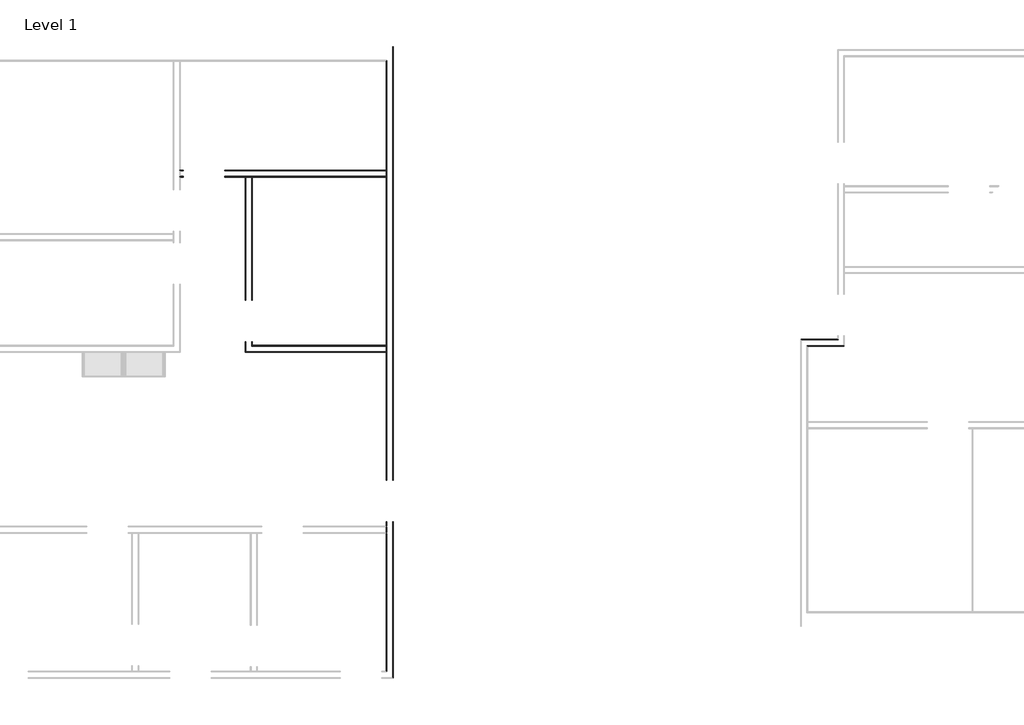
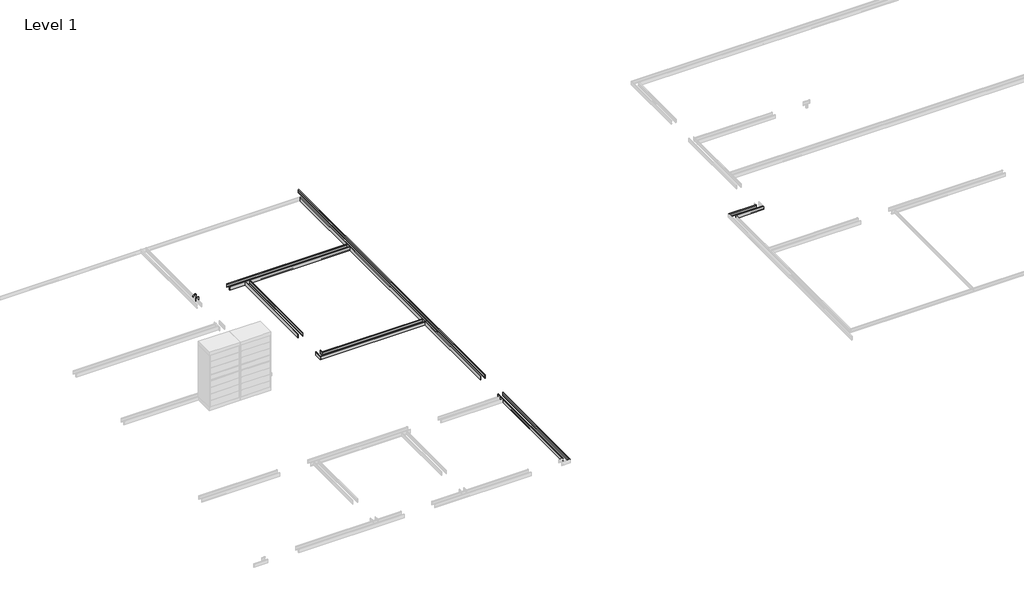
# One storey, part 46 of 51: 10 proxies.
"""IFC4 building model written with IfcOpenShell, lengths in millimetres."""

from ifc_helpers import new_model, si_unit, point, frame, frame_2d, origin, place, context, project, spatial, polyline, circle_curve, ellipse_curve, trimmed, segment, composite_curve, outline, extrude, element, save
from ifc_brep_helpers import plane_surface, cylinder_surface, advanced_brep

model = new_model("IFC4")

# Units and contexts
model_context = context("Model", 3, world=origin())
ifc_project = project(units=[si_unit("LENGTHUNIT", "METRE", prefix="MILLI")], contexts=[model_context])

# Site, building, storey
site = spatial("IfcSite", under=ifc_project)
building = spatial("IfcBuilding", under=site)
storey = spatial("IfcBuildingStorey", under=building, Name="Level 1", Elevation=0.0)

# Proxies
placement = place(None, origin())
element("IfcBuildingElementProxy", 1, Name="Wall Sweeps", at=placement, inside=storey, context=model_context, shape_type="AdvancedBrep", body=[
    advanced_brep(
    [(142089.9478499, -15531.1301669, 22.1801656), (142093.3375534, -15534.5198704, 23.915644), (142093.3375534, -15534.5198704, 85.828144), (142089.9478499, -15531.1301669, 87.5505545), (142089.9478499, -15531.1301669, 107.95), (142101.0603499, -15542.2426669, 107.95), (142104.2353499, -15545.4176669, 104.775), (142104.2353499, -15545.4176669, 0.0), (142089.9478499, -15531.1301669, 0.0), (141276.865984, -15531.1301669, 22.1801656), (141276.865984, -15531.1301669, 0.0), (141291.153484, -15545.4176669, 0.0), (141291.153484, -15545.4176669, 104.775), (141287.978484, -15542.2426669, 107.95), (141276.865984, -15531.1301669, 107.95), (141276.865984, -15531.1301669, 87.5505545), (141280.2556875, -15534.5198704, 85.828144), (141280.2556875, -15534.5198704, 23.915644), (141966.1228499, -15531.1301669, 0.0)],
    [
        (0, 1),
        (1, 2),
        (2, 3),
        (3, 4),
        (4, 5),
        (5, 6, ellipse_curve(frame((142101.0603499, -15542.2426669, 104.775), z_axis=(0.707106781186544, 0.7071067811865511, 0.0), x_axis=(0.7071067811865509, -0.707106781186544, 0.0)), 4.4901281, 3.175)),
        (6, 7),
        (7, 8),
        (8, 0),
        (9, 10),
        (10, 11),
        (11, 12),
        (12, 13, ellipse_curve(frame((141287.978484, -15542.2426669, 104.775), z_axis=(-0.7071067811865476, -0.7071067811865476, 0.0), x_axis=(0.7071067811865475, -0.7071067811865475, 0.0)), 4.4901281, 3.175)),
        (13, 14),
        (14, 15),
        (15, 16),
        (16, 17),
        (17, 9),
        (0, 9),
        (17, 1),
        (16, 2),
        (15, 3),
        (14, 4),
        (13, 5),
        (12, 6),
        (11, 7),
        (10, 18),
        (18, 8),
    ],
    [
        plane_surface(frame((142089.9478499, -15531.1301669, 304.8), z_axis=(0.707106781186544, 0.7071067811865511, 0.0), x_axis=(-0.7071067811865511, 0.707106781186544, 0.0))),
        plane_surface(frame((141276.865984, -15531.1301669, -304.8), z_axis=(-0.7071067811865476, -0.7071067811865476, 0.0), x_axis=(0.7071067811865476, -0.7071067811865476, 0.0))),
        plane_surface(frame((142089.9478499, -15531.1301669, 22.1801656), z_axis=(0.0, 0.4557279043188856, 0.8901191365346083), x_axis=(-1.0, 0.0, 0.0))),
        plane_surface(frame((142093.3375534, -15534.5198704, 23.915644), z_axis=(0.0, 1.0, 0.0), x_axis=(-1.0, 0.0, 0.0))),
        plane_surface(frame((142093.3375534, -15534.5198704, 85.828144), z_axis=(0.0, 0.4530026868357818, -0.8915091506650745), x_axis=(-1.0, 0.0, 0.0))),
        plane_surface(frame((142089.9478499, -15531.1301669, 87.5505545), z_axis=(0.0, 1.0, 0.0), x_axis=(-1.0, 0.0, 0.0))),
        plane_surface(frame((142089.9478499, -15531.1301669, 107.95), z_axis=(0.0, 0.0, 1.0), x_axis=(-1.0, 0.0, 0.0))),
        cylinder_surface(frame((142089.9478499, -15542.2426669, 104.775), z_axis=(1.0, 0.0, 0.0), x_axis=(0.0, -1.0, 0.0)), 3.175),
        plane_surface(frame((142104.2353499, -15545.4176669, 104.775), z_axis=(0.0, -1.0, 0.0), x_axis=(-1.0, 0.0, 0.0))),
        plane_surface(frame((142104.2353499, -15545.4176669, 0.0), z_axis=(0.0, 0.0, -1.0), x_axis=(-1.0, 0.0, 0.0))),
        plane_surface(frame((142089.9478499, -15531.1301669, 0.0), z_axis=(0.0, 1.0, 0.0), x_axis=(-1.0, 0.0, 0.0))),
    ],
    [
        (0, [[1, 2, 3, 4, 5, 6, 7, 8, 9]]),
        (1, [[10, 11, 12, 13, 14, 15, 16, 17, 18]]),
        (2, [[-1, 19, -18, 20]]),
        (3, [[-2, -20, -17, 21]]),
        (4, [[-3, -21, -16, 22]]),
        (5, [[-4, -22, -15, 23]]),
        (6, [[-5, -23, -14, 24]]),
        (7, [[-6, -24, -13, 25]]),
        (8, [[-7, -25, -12, 26]]),
        (9, [[-8, -26, -11, 27, 28]]),
        (10, [[-9, -28, -27, -10, -19]]),
    ],
),
])
element("IfcBuildingElementProxy", 2, Name="Wall Sweeps", at=placement, inside=storey, context=model_context, shape_type="AdvancedBrep", body=[
    advanced_brep(
    [(141966.1228499, -15407.3051669, 22.1801656), (141966.1228499, -15407.3051669, 0.0), (141951.8353499, -15393.0176669, 0.0), (141951.8353499, -15393.0176669, 104.775), (141955.0103499, -15396.1926669, 107.95), (141966.1228499, -15407.3051669, 107.95), (141966.1228499, -15407.3051669, 87.5505545), (141962.7331464, -15403.9154634, 85.828144), (141962.7331464, -15403.9154634, 23.915644), (141153.040984, -15407.3051669, 22.1801656), (141149.6512805, -15403.9154634, 23.915644), (141149.6512805, -15403.9154634, 85.828144), (141153.040984, -15407.3051669, 87.5505545), (141153.040984, -15407.3051669, 107.95), (141141.928484, -15396.1926669, 107.95), (141138.753484, -15393.0176669, 104.775), (141138.753484, -15393.0176669, 0.0), (141153.040984, -15407.3051669, 0.0)],
    [
        (0, 1),
        (1, 2),
        (2, 3),
        (3, 4, ellipse_curve(frame((141955.0103499, -15396.1926669, 104.775), z_axis=(0.707106781186544, 0.7071067811865511, 0.0), x_axis=(0.7071067811865509, -0.707106781186544, 0.0)), 4.4901281, 3.175)),
        (4, 5),
        (5, 6),
        (6, 7),
        (7, 8),
        (8, 0),
        (9, 10),
        (10, 11),
        (11, 12),
        (12, 13),
        (13, 14),
        (14, 15, ellipse_curve(frame((141141.928484, -15396.1926669, 104.775), z_axis=(-0.7071067811865476, -0.7071067811865476, 0.0), x_axis=(0.7071067811865475, -0.7071067811865475, 0.0)), 4.4901281, 3.175)),
        (15, 16),
        (16, 17),
        (17, 9),
        (0, 9),
        (17, 1),
        (16, 2),
        (15, 3),
        (14, 4),
        (13, 5),
        (12, 6),
        (11, 7),
        (10, 8),
    ],
    [
        plane_surface(frame((141966.1228499, -15407.3051669, 304.8), z_axis=(0.707106781186544, 0.7071067811865511, 0.0), x_axis=(-0.7071067811865511, 0.707106781186544, 0.0))),
        plane_surface(frame((141153.040984, -15407.3051669, -304.8), z_axis=(-0.7071067811865476, -0.7071067811865476, 0.0), x_axis=(0.7071067811865476, -0.7071067811865476, 0.0))),
        plane_surface(frame((141966.1228499, -15407.3051669, 22.1801656), z_axis=(0.0, -1.0, 0.0), x_axis=(-1.0, 0.0, 0.0))),
        plane_surface(frame((141966.1228499, -15407.3051669, 0.0), z_axis=(0.0, 0.0, -1.0), x_axis=(-1.0, 0.0, 0.0))),
        plane_surface(frame((141951.8353499, -15393.0176669, 0.0), z_axis=(0.0, 1.0, 0.0), x_axis=(-1.0, 0.0, 0.0))),
        cylinder_surface(frame((141966.1228499, -15396.1926669, 104.775), z_axis=(1.0, 0.0, 0.0), x_axis=(0.0, 1.0, 0.0)), 3.175),
        plane_surface(frame((141955.0103499, -15396.1926669, 107.95), z_axis=(0.0, 0.0, 1.0), x_axis=(-1.0, 0.0, 0.0))),
        plane_surface(frame((141966.1228499, -15407.3051669, 107.95), z_axis=(0.0, -1.0, 0.0), x_axis=(-1.0, 0.0, 0.0))),
        plane_surface(frame((141966.1228499, -15407.3051669, 87.5505545), z_axis=(0.0, -0.4530026868357818, -0.8915091506650745), x_axis=(-1.0, 0.0, 0.0))),
        plane_surface(frame((141962.7331464, -15403.9154634, 85.828144), z_axis=(0.0, -1.0, 0.0), x_axis=(-1.0, 0.0, 0.0))),
        plane_surface(frame((141962.7331464, -15403.9154634, 23.915644), z_axis=(0.0, -0.4557279043188856, 0.8901191365346083), x_axis=(-1.0, 0.0, 0.0))),
    ],
    [
        (0, [[1, 2, 3, 4, 5, 6, 7, 8, 9]]),
        (1, [[10, 11, 12, 13, 14, 15, 16, 17, 18]]),
        (2, [[-1, 19, -18, 20]]),
        (3, [[-2, -20, -17, 21]]),
        (4, [[-3, -21, -16, 22]]),
        (5, [[-4, -22, -15, 23]]),
        (6, [[-5, -23, -14, 24]]),
        (7, [[-6, -24, -13, 25]]),
        (8, [[-7, -25, -12, 26]]),
        (9, [[-8, -26, -11, 27]]),
        (10, [[-9, -27, -10, -19]]),
    ],
),
])
element("IfcBuildingElementProxy", 3, Name="Wall Sweeps", at=placement, inside=storey, context=model_context, shape_type="AdvancedBrep", body=[
    advanced_brep(
    [(132009.040984, -9239.8676669, 22.1801656), (132009.040984, -9239.8676669, 0.0), (131994.753484, -9254.1551669, 0.0), (131994.753484, -9254.1551669, 104.775), (131997.928484, -9250.9801669, 107.95), (132009.040984, -9239.8676669, 107.95), (132009.040984, -9239.8676669, 87.5505545), (132005.6512805, -9243.2573704, 85.828144), (132005.6512805, -9243.2573704, 23.915644), (132009.040984, -18502.9301669, 22.1801656), (132005.6512805, -18502.9301669, 23.915644), (132005.6512805, -18502.9301669, 85.828144), (132009.040984, -18502.9301669, 87.5505545), (132009.040984, -18502.9301669, 107.95), (131997.928484, -18502.9301669, 107.95), (131994.753484, -18502.9301669, 104.775), (131994.753484, -18502.9301669, 0.0), (132009.040984, -18502.9301669, 0.0)],
    [
        (0, 1),
        (1, 2),
        (2, 3),
        (3, 4, ellipse_curve(frame((131997.928484, -9250.9801669, 104.775), z_axis=(-0.707106781186544, 0.7071067811865511, 0.0), x_axis=(0.7071067811865511, 0.7071067811865438, 0.0)), 4.4901281, 3.175)),
        (4, 5),
        (5, 6),
        (6, 7),
        (7, 8),
        (8, 0),
        (9, 10),
        (10, 11),
        (11, 12),
        (12, 13),
        (13, 14),
        (14, 15, circle_curve(frame((131997.928484, -18502.9301669, 104.775), z_axis=(0.0, -1.0, 0.0), x_axis=(-1.0, 0.0, 0.0)), 3.175)),
        (15, 16),
        (16, 17),
        (17, 9),
        (8, 10),
        (9, 0),
        (7, 11),
        (6, 12),
        (5, 13),
        (4, 14),
        (3, 15),
        (2, 16),
        (1, 17),
    ],
    [
        plane_surface(frame((132009.040984, -9239.8676669, 304.8), z_axis=(-0.707106781186544, 0.7071067811865511, 0.0), x_axis=(-0.7071067811865511, -0.707106781186544, 0.0))),
        plane_surface(frame((131900.5205244, -18502.9301669, 0.0), z_axis=(0.0, -1.0, 0.0), x_axis=(0.0, 0.0, -1.0))),
        plane_surface(frame((132005.6512805, -9243.2573704, 23.915644), z_axis=(0.4557279043188856, 0.0, 0.8901191365346083), x_axis=(0.0, -1.0, 0.0))),
        plane_surface(frame((132005.6512805, -9243.2573704, 85.828144), z_axis=(1.0, 0.0, 0.0), x_axis=(0.0, -1.0, 0.0))),
        plane_surface(frame((132009.040984, -9239.8676669, 87.5505545), z_axis=(0.4530026868357818, 0.0, -0.8915091506650745), x_axis=(0.0, -1.0, 0.0))),
        plane_surface(frame((132009.040984, -9239.8676669, 107.95), z_axis=(1.0, 0.0, 0.0), x_axis=(0.0, -1.0, 0.0))),
        plane_surface(frame((131997.928484, -9250.9801669, 107.95), z_axis=(0.0, 0.0, 1.0), x_axis=(0.0, -1.0, 0.0))),
        cylinder_surface(frame((131997.928484, -9239.8676669, 104.775), z_axis=(0.0, 1.0, 0.0), x_axis=(-1.0, 0.0, 0.0)), 3.175),
        plane_surface(frame((131994.753484, -9254.1551669, 0.0), z_axis=(-1.0, 0.0, 0.0), x_axis=(0.0, -1.0, 0.0))),
        plane_surface(frame((132009.040984, -9239.8676669, 0.0), z_axis=(0.0, 0.0, -1.0), x_axis=(0.0, -1.0, 0.0))),
        plane_surface(frame((132009.040984, -9239.8676669, 22.1801656), z_axis=(1.0, 0.0, 0.0), x_axis=(0.0, -1.0, 0.0))),
    ],
    [
        (0, [[1, 2, 3, 4, 5, 6, 7, 8, 9]]),
        (1, [[10, 11, 12, 13, 14, 15, 16, 17, 18]]),
        (2, [[-9, 19, -10, 20]]),
        (3, [[-8, 21, -11, -19]]),
        (4, [[-7, 22, -12, -21]]),
        (5, [[-6, 23, -13, -22]]),
        (6, [[-5, 24, -14, -23]]),
        (7, [[-4, 25, -15, -24]]),
        (8, [[-3, 26, -16, -25]]),
        (9, [[-2, 27, -17, -26]]),
        (10, [[-1, -20, -18, -27]]),
    ],
),
    advanced_brep(
    [(132009.040984, -19417.3301669, 22.1801656), (132009.040984, -19417.3301669, 0.0), (131994.753484, -19417.3301669, 0.0), (131994.753484, -19417.3301669, 104.775), (131997.928484, -19417.3301669, 107.95), (132009.040984, -19417.3301669, 107.95), (132009.040984, -19417.3301669, 87.5505545), (132005.6512805, -19417.3301669, 85.828144), (132005.6512805, -19417.3301669, 23.915644), (132009.040984, -22733.6176669, 22.1801656), (132005.6512805, -22730.2279634, 23.915644), (132005.6512805, -22730.2279634, 85.828144), (132009.040984, -22733.6176669, 87.5505545), (132009.040984, -22733.6176669, 107.95), (131997.928484, -22722.5051669, 107.95), (131994.753484, -22719.3301669, 104.775), (131994.753484, -22719.3301669, 0.0), (132009.040984, -22733.6176669, 0.0)],
    [
        (0, 1),
        (1, 2),
        (2, 3),
        (3, 4, circle_curve(frame((131997.928484, -19417.3301669, 104.775), z_axis=(0.0, 1.0, 0.0), x_axis=(-1.0, 0.0, 0.0)), 3.175)),
        (4, 5),
        (5, 6),
        (6, 7),
        (7, 8),
        (8, 0),
        (9, 10),
        (10, 11),
        (11, 12),
        (12, 13),
        (13, 14),
        (14, 15, ellipse_curve(frame((131997.928484, -22722.5051669, 104.775), z_axis=(-0.7071067811865476, -0.7071067811865476, 0.0), x_axis=(-0.7071067811865476, 0.7071067811865474, 0.0)), 4.4901281, 3.175)),
        (15, 16),
        (16, 17),
        (17, 9),
        (0, 9),
        (17, 1),
        (16, 2),
        (15, 3),
        (14, 4),
        (13, 5),
        (12, 6),
        (11, 7),
        (10, 8),
    ],
    [
        plane_surface(frame((131900.5205244, -19417.3301669, 0.0), z_axis=(0.0, 1.0, 0.0), x_axis=(0.0, 0.0, -1.0))),
        plane_surface(frame((132009.040984, -22733.6176669, 304.8), z_axis=(-0.7071067811865476, -0.7071067811865476, 0.0), x_axis=(-0.7071067811865476, 0.7071067811865476, 0.0))),
        plane_surface(frame((132009.040984, -19417.3301669, 22.1801656), z_axis=(1.0, 0.0, 0.0), x_axis=(0.0, -1.0, 0.0))),
        plane_surface(frame((132009.040984, -19417.3301669, 0.0), z_axis=(0.0, 0.0, -1.0), x_axis=(0.0, -1.0, 0.0))),
        plane_surface(frame((131994.753484, -19417.3301669, 0.0), z_axis=(-1.0, 0.0, 0.0), x_axis=(0.0, -1.0, 0.0))),
        cylinder_surface(frame((131997.928484, -19417.3301669, 104.775), z_axis=(0.0, 1.0, 0.0), x_axis=(-1.0, 0.0, 0.0)), 3.175),
        plane_surface(frame((131997.928484, -19417.3301669, 107.95), z_axis=(0.0, 0.0, 1.0), x_axis=(0.0, -1.0, 0.0))),
        plane_surface(frame((132009.040984, -19417.3301669, 107.95), z_axis=(1.0, 0.0, 0.0), x_axis=(0.0, -1.0, 0.0))),
        plane_surface(frame((132009.040984, -19417.3301669, 87.5505545), z_axis=(0.4530026868357818, 0.0, -0.8915091506650745), x_axis=(0.0, -1.0, 0.0))),
        plane_surface(frame((132005.6512805, -19417.3301669, 85.828144), z_axis=(1.0, 0.0, 0.0), x_axis=(0.0, -1.0, 0.0))),
        plane_surface(frame((132005.6512805, -19417.3301669, 23.915644), z_axis=(0.4557279043188856, 0.0, 0.8901191365346083), x_axis=(0.0, -1.0, 0.0))),
    ],
    [
        (0, [[1, 2, 3, 4, 5, 6, 7, 8, 9]]),
        (1, [[10, 11, 12, 13, 14, 15, 16, 17, 18]]),
        (2, [[-1, 19, -18, 20]]),
        (3, [[-2, -20, -17, 21]]),
        (4, [[-3, -21, -16, 22]]),
        (5, [[-4, -22, -15, 23]]),
        (6, [[-5, -23, -14, 24]]),
        (7, [[-6, -24, -13, 25]]),
        (8, [[-7, -25, -12, 26]]),
        (9, [[-8, -26, -11, 27]]),
        (10, [[-9, -27, -10, -19]]),
    ],
),
])
element("IfcBuildingElementProxy", 4, Name="Wall Sweeps", at=placement, inside=storey, context=model_context, shape_type="AdvancedBrep", body=[
    advanced_brep(
    [(129022.953484, -15451.7980846, 22.1801656), (129026.3431875, -15451.7980846, 23.915644), (129026.3431875, -15451.7980846, 85.828144), (129022.953484, -15451.7980846, 87.5505545), (129022.953484, -15451.7980846, 107.95), (129034.065984, -15451.7980846, 107.95), (129037.240984, -15451.7980846, 104.775), (129037.240984, -15451.7980846, 0.0), (129022.953484, -15451.7980846, 0.0), (129022.953484, -15542.2855846, 22.1801656), (129022.953484, -15542.2855846, 0.0), (129037.240984, -15527.9980846, 0.0), (129037.240984, -15527.9980846, 104.775), (129034.065984, -15531.1730846, 107.95), (129022.953484, -15542.2855846, 107.95), (129022.953484, -15542.2855846, 87.5505545), (129026.3431875, -15538.8958812, 85.828144), (129026.3431875, -15538.8958812, 23.915644)],
    [
        (0, 1),
        (1, 2),
        (2, 3),
        (3, 4),
        (4, 5),
        (5, 6, circle_curve(frame((129034.065984, -15451.7980846, 104.775), z_axis=(0.0, 1.0, 0.0), x_axis=(1.0, 0.0, 0.0)), 3.175)),
        (6, 7),
        (7, 8),
        (8, 0),
        (9, 10),
        (10, 11),
        (11, 12),
        (12, 13, ellipse_curve(frame((129034.065984, -15531.1730846, 104.775), z_axis=(0.707106781186544, -0.7071067811865511, 0.0), x_axis=(0.7071067811865511, 0.7071067811865438, 0.0)), 4.4901281, 3.175)),
        (13, 14),
        (14, 15),
        (15, 16),
        (16, 17),
        (17, 9),
        (0, 9),
        (17, 1),
        (16, 2),
        (15, 3),
        (14, 4),
        (13, 5),
        (12, 6),
        (11, 7),
        (10, 8),
    ],
    [
        plane_surface(frame((128914.4330244, -15451.7980846, 0.0), z_axis=(0.0, 1.0, 0.0), x_axis=(0.0, 0.0, -1.0))),
        plane_surface(frame((129022.953484, -15542.2855846, -304.8), z_axis=(0.707106781186544, -0.7071067811865511, 0.0), x_axis=(0.7071067811865511, 0.707106781186544, 0.0))),
        plane_surface(frame((129022.953484, -15451.7980846, 22.1801656), z_axis=(-0.4557279043188856, 0.0, 0.8901191365346083), x_axis=(0.0, -1.0, 0.0))),
        plane_surface(frame((129026.3431875, -15451.7980846, 23.915644), z_axis=(-1.0, 0.0, 0.0), x_axis=(0.0, -1.0, 0.0))),
        plane_surface(frame((129026.3431875, -15451.7980846, 85.828144), z_axis=(-0.4530026868357818, 0.0, -0.8915091506650745), x_axis=(0.0, -1.0, 0.0))),
        plane_surface(frame((129022.953484, -15451.7980846, 87.5505545), z_axis=(-1.0, 0.0, 0.0), x_axis=(0.0, -1.0, 0.0))),
        plane_surface(frame((129022.953484, -15451.7980846, 107.95), z_axis=(0.0, 0.0, 1.0), x_axis=(0.0, -1.0, 0.0))),
        cylinder_surface(frame((129034.065984, -15451.7980846, 104.775), z_axis=(0.0, 1.0, 0.0), x_axis=(1.0, 0.0, 0.0)), 3.175),
        plane_surface(frame((129037.240984, -15451.7980846, 104.775), z_axis=(1.0, 0.0, 0.0), x_axis=(0.0, -1.0, 0.0))),
        plane_surface(frame((129037.240984, -15451.7980846, 0.0), z_axis=(0.0, 0.0, -1.0), x_axis=(0.0, -1.0, 0.0))),
        plane_surface(frame((129022.953484, -15451.7980846, 0.0), z_axis=(-1.0, 0.0, 0.0), x_axis=(0.0, -1.0, 0.0))),
    ],
    [
        (0, [[1, 2, 3, 4, 5, 6, 7, 8, 9]]),
        (1, [[10, 11, 12, 13, 14, 15, 16, 17, 18]]),
        (2, [[-1, 19, -18, 20]]),
        (3, [[-2, -20, -17, 21]]),
        (4, [[-3, -21, -16, 22]]),
        (5, [[-4, -22, -15, 23]]),
        (6, [[-5, -23, -14, 24]]),
        (7, [[-6, -24, -13, 25]]),
        (8, [[-7, -25, -12, 26]]),
        (9, [[-8, -26, -11, 27]]),
        (10, [[-9, -27, -10, -19]]),
    ],
),
    advanced_brep(
    [(129022.953484, -11802.0926669, 22.1801656), (129026.3431875, -11802.0926669, 23.915644), (129026.3431875, -11802.0926669, 85.828144), (129022.953484, -11802.0926669, 87.5505545), (129022.953484, -11802.0926669, 107.95), (129034.065984, -11802.0926669, 107.95), (129037.240984, -11802.0926669, 104.775), (129037.240984, -11802.0926669, 0.0), (129022.953484, -11802.0926669, 0.0), (129022.953484, -14537.3980846, 22.1801656), (129022.953484, -14537.3980846, 0.0), (129037.240984, -14537.3980846, 0.0), (129037.240984, -14537.3980846, 104.775), (129034.065984, -14537.3980846, 107.95), (129022.953484, -14537.3980846, 107.95), (129022.953484, -14537.3980846, 87.5505545), (129026.3431875, -14537.3980846, 85.828144), (129026.3431875, -14537.3980846, 23.915644)],
    [
        (0, 1),
        (1, 2),
        (2, 3),
        (3, 4),
        (4, 5),
        (5, 6, circle_curve(frame((129034.065984, -11802.0926669, 104.775), z_axis=(0.0, 1.0, 0.0), x_axis=(1.0, 0.0, 0.0)), 3.175)),
        (6, 7),
        (7, 8),
        (8, 0),
        (9, 10),
        (10, 11),
        (11, 12),
        (12, 13, circle_curve(frame((129034.065984, -14537.3980846, 104.775), z_axis=(0.0, -1.0, 0.0), x_axis=(1.0, 0.0, 0.0)), 3.175)),
        (13, 14),
        (14, 15),
        (15, 16),
        (16, 17),
        (17, 9),
        (0, 9),
        (17, 1),
        (16, 2),
        (15, 3),
        (14, 4),
        (13, 5),
        (12, 6),
        (11, 7),
        (10, 8),
    ],
    [
        plane_surface(frame((128914.4330244, -11802.0926669, 0.0), z_axis=(0.0, 1.0, 0.0), x_axis=(0.0, 0.0, -1.0))),
        plane_surface(frame((128914.4330244, -14537.3980846, 0.0), z_axis=(0.0, -1.0, 0.0), x_axis=(0.0, 0.0, -1.0))),
        plane_surface(frame((129022.953484, -11802.0926669, 22.1801656), z_axis=(-0.4557279043188856, 0.0, 0.8901191365346083), x_axis=(0.0, -1.0, 0.0))),
        plane_surface(frame((129026.3431875, -11802.0926669, 23.915644), z_axis=(-1.0, 0.0, 0.0), x_axis=(0.0, -1.0, 0.0))),
        plane_surface(frame((129026.3431875, -11802.0926669, 85.828144), z_axis=(-0.4530026868357818, 0.0, -0.8915091506650745), x_axis=(0.0, -1.0, 0.0))),
        plane_surface(frame((129022.953484, -11802.0926669, 87.5505545), z_axis=(-1.0, 0.0, 0.0), x_axis=(0.0, -1.0, 0.0))),
        plane_surface(frame((129022.953484, -11802.0926669, 107.95), z_axis=(0.0, 0.0, 1.0), x_axis=(0.0, -1.0, 0.0))),
        cylinder_surface(frame((129034.065984, -11802.0926669, 104.775), z_axis=(0.0, 1.0, 0.0), x_axis=(1.0, 0.0, 0.0)), 3.175),
        plane_surface(frame((129037.240984, -11802.0926669, 104.775), z_axis=(1.0, 0.0, 0.0), x_axis=(0.0, -1.0, 0.0))),
        plane_surface(frame((129037.240984, -11802.0926669, 0.0), z_axis=(0.0, 0.0, -1.0), x_axis=(0.0, -1.0, 0.0))),
        plane_surface(frame((129022.953484, -11802.0926669, 0.0), z_axis=(-1.0, 0.0, 0.0), x_axis=(0.0, -1.0, 0.0))),
    ],
    [
        (0, [[1, 2, 3, 4, 5, 6, 7, 8, 9]]),
        (1, [[10, 11, 12, 13, 14, 15, 16, 17, 18]]),
        (2, [[-1, 19, -18, 20]]),
        (3, [[-2, -20, -17, 21]]),
        (4, [[-3, -21, -16, 22]]),
        (5, [[-4, -22, -15, 23]]),
        (6, [[-5, -23, -14, 24]]),
        (7, [[-6, -24, -13, 25]]),
        (8, [[-7, -25, -12, 26]]),
        (9, [[-8, -26, -11, 27]]),
        (10, [[-9, -27, -10, -19]]),
    ],
),
])
element("IfcBuildingElementProxy", 5, Name="Wall Sweeps", at=placement, inside=storey, context=model_context, shape_type="AdvancedBrep", body=[
    advanced_brep(
    [(128899.128484, -11802.0926669, 22.1801656), (128899.128484, -11802.0926669, 0.0), (128884.840984, -11802.0926669, 0.0), (128884.840984, -11802.0926669, 104.775), (128888.015984, -11802.0926669, 107.95), (128899.128484, -11802.0926669, 107.95), (128899.128484, -11802.0926669, 87.5505545), (128895.7387805, -11802.0926669, 85.828144), (128895.7387805, -11802.0926669, 23.915644), (128899.128484, -14537.3980846, 22.1801656), (128895.7387805, -14537.3980846, 23.915644), (128895.7387805, -14537.3980846, 85.828144), (128899.128484, -14537.3980846, 87.5505545), (128899.128484, -14537.3980846, 107.95), (128888.015984, -14537.3980846, 107.95), (128884.840984, -14537.3980846, 104.775), (128884.840984, -14537.3980846, 0.0), (128899.128484, -14537.3980846, 0.0)],
    [
        (0, 1),
        (1, 2),
        (2, 3),
        (3, 4, circle_curve(frame((128888.015984, -11802.0926669, 104.775), z_axis=(0.0, 1.0, 0.0), x_axis=(-1.0, 0.0, 0.0)), 3.175)),
        (4, 5),
        (5, 6),
        (6, 7),
        (7, 8),
        (8, 0),
        (9, 10),
        (10, 11),
        (11, 12),
        (12, 13),
        (13, 14),
        (14, 15, circle_curve(frame((128888.015984, -14537.3980846, 104.775), z_axis=(0.0, -1.0, 0.0), x_axis=(-1.0, 0.0, 0.0)), 3.175)),
        (15, 16),
        (16, 17),
        (17, 9),
        (0, 9),
        (17, 1),
        (16, 2),
        (15, 3),
        (14, 4),
        (13, 5),
        (12, 6),
        (11, 7),
        (10, 8),
    ],
    [
        plane_surface(frame((128790.6080244, -11802.0926669, 0.0), z_axis=(0.0, 1.0, 0.0), x_axis=(0.0, 0.0, -1.0))),
        plane_surface(frame((128790.6080244, -14537.3980846, 0.0), z_axis=(0.0, -1.0, 0.0), x_axis=(0.0, 0.0, -1.0))),
        plane_surface(frame((128899.128484, -11802.0926669, 22.1801656), z_axis=(1.0, 0.0, 0.0), x_axis=(0.0, -1.0, 0.0))),
        plane_surface(frame((128899.128484, -11802.0926669, 0.0), z_axis=(0.0, 0.0, -1.0), x_axis=(0.0, -1.0, 0.0))),
        plane_surface(frame((128884.840984, -11802.0926669, 0.0), z_axis=(-1.0, 0.0, 0.0), x_axis=(0.0, -1.0, 0.0))),
        cylinder_surface(frame((128888.015984, -11802.0926669, 104.775), z_axis=(0.0, 1.0, 0.0), x_axis=(-1.0, 0.0, 0.0)), 3.175),
        plane_surface(frame((128888.015984, -11802.0926669, 107.95), z_axis=(0.0, 0.0, 1.0), x_axis=(0.0, -1.0, 0.0))),
        plane_surface(frame((128899.128484, -11802.0926669, 107.95), z_axis=(1.0, 0.0, 0.0), x_axis=(0.0, -1.0, 0.0))),
        plane_surface(frame((128899.128484, -11802.0926669, 87.5505545), z_axis=(0.4530026868357818, 0.0, -0.8915091506650745), x_axis=(0.0, -1.0, 0.0))),
        plane_surface(frame((128895.7387805, -11802.0926669, 85.828144), z_axis=(1.0, 0.0, 0.0), x_axis=(0.0, -1.0, 0.0))),
        plane_surface(frame((128895.7387805, -11802.0926669, 23.915644), z_axis=(0.4557279043188856, 0.0, 0.8901191365346083), x_axis=(0.0, -1.0, 0.0))),
    ],
    [
        (0, [[1, 2, 3, 4, 5, 6, 7, 8, 9]]),
        (1, [[10, 11, 12, 13, 14, 15, 16, 17, 18]]),
        (2, [[-1, 19, -18, 20]]),
        (3, [[-2, -20, -17, 21]]),
        (4, [[-3, -21, -16, 22]]),
        (5, [[-4, -22, -15, 23]]),
        (6, [[-5, -23, -14, 24]]),
        (7, [[-6, -24, -13, 25]]),
        (8, [[-7, -25, -12, 26]]),
        (9, [[-8, -26, -11, 27]]),
        (10, [[-9, -27, -10, -19]]),
    ],
),
    advanced_brep(
    [(128899.128484, -15451.7980846, 22.1801656), (128899.128484, -15451.7980846, 0.0), (128884.840984, -15451.7980846, 0.0), (128884.840984, -15451.7980846, 104.775), (128888.015984, -15451.7980846, 107.95), (128899.128484, -15451.7980846, 107.95), (128899.128484, -15451.7980846, 87.5505545), (128895.7387805, -15451.7980846, 85.828144), (128895.7387805, -15451.7980846, 23.915644), (128899.128484, -15666.1105846, 22.1801656), (128895.7387805, -15669.5002881, 23.915644), (128895.7387805, -15669.5002881, 85.828144), (128899.128484, -15666.1105846, 87.5505545), (128899.128484, -15666.1105846, 107.95), (128888.015984, -15677.2230846, 107.95), (128884.840984, -15680.3980846, 104.775), (128884.840984, -15680.3980846, 0.0), (128899.128484, -15666.1105846, 0.0)],
    [
        (0, 1),
        (1, 2),
        (2, 3),
        (3, 4, circle_curve(frame((128888.015984, -15451.7980846, 104.775), z_axis=(0.0, 1.0, 0.0), x_axis=(-1.0, 0.0, 0.0)), 3.175)),
        (4, 5),
        (5, 6),
        (6, 7),
        (7, 8),
        (8, 0),
        (9, 10),
        (10, 11),
        (11, 12),
        (12, 13),
        (13, 14),
        (14, 15, ellipse_curve(frame((128888.015984, -15677.2230846, 104.775), z_axis=(0.707106781186544, -0.7071067811865511, 0.0), x_axis=(0.7071067811865511, 0.7071067811865438, 0.0)), 4.4901281, 3.175)),
        (15, 16),
        (16, 17),
        (17, 9),
        (0, 9),
        (17, 1),
        (16, 2),
        (15, 3),
        (14, 4),
        (13, 5),
        (12, 6),
        (11, 7),
        (10, 8),
    ],
    [
        plane_surface(frame((128790.6080244, -15451.7980846, 0.0), z_axis=(0.0, 1.0, 0.0), x_axis=(0.0, 0.0, -1.0))),
        plane_surface(frame((128899.128484, -15666.1105846, -304.8), z_axis=(0.707106781186544, -0.7071067811865511, 0.0), x_axis=(0.7071067811865511, 0.707106781186544, 0.0))),
        plane_surface(frame((128899.128484, -15451.7980846, 22.1801656), z_axis=(1.0, 0.0, 0.0), x_axis=(0.0, -1.0, 0.0))),
        plane_surface(frame((128899.128484, -15451.7980846, 0.0), z_axis=(0.0, 0.0, -1.0), x_axis=(0.0, -1.0, 0.0))),
        plane_surface(frame((128884.840984, -15451.7980846, 0.0), z_axis=(-1.0, 0.0, 0.0), x_axis=(0.0, -1.0, 0.0))),
        cylinder_surface(frame((128888.015984, -15451.7980846, 104.775), z_axis=(0.0, 1.0, 0.0), x_axis=(-1.0, 0.0, 0.0)), 3.175),
        plane_surface(frame((128888.015984, -15451.7980846, 107.95), z_axis=(0.0, 0.0, 1.0), x_axis=(0.0, -1.0, 0.0))),
        plane_surface(frame((128899.128484, -15451.7980846, 107.95), z_axis=(1.0, 0.0, 0.0), x_axis=(0.0, -1.0, 0.0))),
        plane_surface(frame((128899.128484, -15451.7980846, 87.5505545), z_axis=(0.4530026868357818, 0.0, -0.8915091506650745), x_axis=(0.0, -1.0, 0.0))),
        plane_surface(frame((128895.7387805, -15451.7980846, 85.828144), z_axis=(1.0, 0.0, 0.0), x_axis=(0.0, -1.0, 0.0))),
        plane_surface(frame((128895.7387805, -15451.7980846, 23.915644), z_axis=(0.4557279043188856, 0.0, 0.8901191365346083), x_axis=(0.0, -1.0, 0.0))),
    ],
    [
        (0, [[1, 2, 3, 4, 5, 6, 7, 8, 9]]),
        (1, [[10, 11, 12, 13, 14, 15, 16, 17, 18]]),
        (2, [[-1, 19, -18, 20]]),
        (3, [[-2, -20, -17, 21]]),
        (4, [[-3, -21, -16, 22]]),
        (5, [[-4, -22, -15, 23]]),
        (6, [[-5, -23, -14, 24]]),
        (7, [[-6, -24, -13, 25]]),
        (8, [[-7, -25, -12, 26]]),
        (9, [[-8, -26, -11, 27]]),
        (10, [[-9, -27, -10, -19]]),
    ],
),
])
element("IfcBuildingElementProxy", 6, Name="Wall Sweeps", at=placement, inside=storey, context=model_context, shape_type="AdvancedBrep", body=[
    advanced_brep(
    [(132132.865984, -8935.0676669, 22.1801656), (132136.2556875, -8935.0676669, 23.915644), (132136.2556875, -8935.0676669, 85.828144), (132132.865984, -8935.0676669, 87.5505545), (132132.865984, -8935.0676669, 107.95), (132143.978484, -8935.0676669, 107.95), (132147.153484, -8935.0676669, 104.775), (132147.153484, -8935.0676669, 0.0), (132132.865984, -8935.0676669, 0.0), (132132.865984, -18502.9301669, 22.1801656), (132132.865984, -18502.9301669, 0.0), (132147.153484, -18502.9301669, 0.0), (132147.153484, -18502.9301669, 104.775), (132143.978484, -18502.9301669, 107.95), (132132.865984, -18502.9301669, 107.95), (132132.865984, -18502.9301669, 87.5505545), (132136.2556875, -18502.9301669, 85.828144), (132136.2556875, -18502.9301669, 23.915644)],
    [
        (0, 1),
        (1, 2),
        (2, 3),
        (3, 4),
        (4, 5),
        (5, 6, circle_curve(frame((132143.978484, -8935.0676669, 104.775), z_axis=(0.0, 1.0, 0.0), x_axis=(1.0, 0.0, 0.0)), 3.175)),
        (6, 7),
        (7, 8),
        (8, 0),
        (9, 10),
        (10, 11),
        (11, 12),
        (12, 13, circle_curve(frame((132143.978484, -18502.9301669, 104.775), z_axis=(0.0, -1.0, 0.0), x_axis=(1.0, 0.0, 0.0)), 3.175)),
        (13, 14),
        (14, 15),
        (15, 16),
        (16, 17),
        (17, 9),
        (0, 9),
        (17, 1),
        (16, 2),
        (15, 3),
        (14, 4),
        (13, 5),
        (12, 6),
        (11, 7),
        (10, 8),
    ],
    [
        plane_surface(frame((132024.3455244, -8935.0676669, 0.0), z_axis=(0.0, 1.0, 0.0), x_axis=(0.0, 0.0, -1.0))),
        plane_surface(frame((132024.3455244, -18502.9301669, 0.0), z_axis=(0.0, -1.0, 0.0), x_axis=(0.0, 0.0, -1.0))),
        plane_surface(frame((132132.865984, -8935.0676669, 22.1801656), z_axis=(-0.4557279043188856, 0.0, 0.8901191365346083), x_axis=(0.0, -1.0, 0.0))),
        plane_surface(frame((132136.2556875, -8935.0676669, 23.915644), z_axis=(-1.0, 0.0, 0.0), x_axis=(0.0, -1.0, 0.0))),
        plane_surface(frame((132136.2556875, -8935.0676669, 85.828144), z_axis=(-0.4530026868357818, 0.0, -0.8915091506650745), x_axis=(0.0, -1.0, 0.0))),
        plane_surface(frame((132132.865984, -8935.0676669, 87.5505545), z_axis=(-1.0, 0.0, 0.0), x_axis=(0.0, -1.0, 0.0))),
        plane_surface(frame((132132.865984, -8935.0676669, 107.95), z_axis=(0.0, 0.0, 1.0), x_axis=(0.0, -1.0, 0.0))),
        cylinder_surface(frame((132143.978484, -8935.0676669, 104.775), z_axis=(0.0, 1.0, 0.0), x_axis=(1.0, 0.0, 0.0)), 3.175),
        plane_surface(frame((132147.153484, -8935.0676669, 104.775), z_axis=(1.0, 0.0, 0.0), x_axis=(0.0, -1.0, 0.0))),
        plane_surface(frame((132147.153484, -8935.0676669, 0.0), z_axis=(0.0, 0.0, -1.0), x_axis=(0.0, -1.0, 0.0))),
        plane_surface(frame((132132.865984, -8935.0676669, 0.0), z_axis=(-1.0, 0.0, 0.0), x_axis=(0.0, -1.0, 0.0))),
    ],
    [
        (0, [[1, 2, 3, 4, 5, 6, 7, 8, 9]]),
        (1, [[10, 11, 12, 13, 14, 15, 16, 17, 18]]),
        (2, [[-1, 19, -18, 20]]),
        (3, [[-2, -20, -17, 21]]),
        (4, [[-3, -21, -16, 22]]),
        (5, [[-4, -22, -15, 23]]),
        (6, [[-5, -23, -14, 24]]),
        (7, [[-6, -24, -13, 25]]),
        (8, [[-7, -25, -12, 26]]),
        (9, [[-8, -26, -11, 27]]),
        (10, [[-9, -27, -10, -19]]),
    ],
),
    advanced_brep(
    [(132132.865984, -19417.3301669, 22.1801656), (132136.2556875, -19417.3301669, 23.915644), (132136.2556875, -19417.3301669, 85.828144), (132132.865984, -19417.3301669, 87.5505545), (132132.865984, -19417.3301669, 107.95), (132143.978484, -19417.3301669, 107.95), (132147.153484, -19417.3301669, 104.775), (132147.153484, -19417.3301669, 0.0), (132132.865984, -19417.3301669, 0.0), (132132.865984, -22857.4426669, 22.1801656), (132132.865984, -22857.4426669, 0.0), (132147.153484, -22871.7301669, 0.0), (132147.153484, -22871.7301669, 104.775), (132143.978484, -22868.5551669, 107.95), (132132.865984, -22857.4426669, 107.95), (132132.865984, -22857.4426669, 87.5505545), (132136.2556875, -22860.8323704, 85.828144), (132136.2556875, -22860.8323704, 23.915644), (132132.865984, -22733.6176669, 0.0)],
    [
        (0, 1),
        (1, 2),
        (2, 3),
        (3, 4),
        (4, 5),
        (5, 6, circle_curve(frame((132143.978484, -19417.3301669, 104.775), z_axis=(0.0, 1.0, 0.0), x_axis=(1.0, 0.0, 0.0)), 3.175)),
        (6, 7),
        (7, 8),
        (8, 0),
        (9, 10),
        (10, 11),
        (11, 12),
        (12, 13, ellipse_curve(frame((132143.978484, -22868.5551669, 104.775), z_axis=(-0.7071067811865476, -0.7071067811865476, 0.0), x_axis=(-0.7071067811865476, 0.7071067811865474, 0.0)), 4.4901281, 3.175)),
        (13, 14),
        (14, 15),
        (15, 16),
        (16, 17),
        (17, 9),
        (0, 9),
        (17, 1),
        (16, 2),
        (15, 3),
        (14, 4),
        (13, 5),
        (12, 6),
        (11, 7),
        (10, 18),
        (18, 8),
    ],
    [
        plane_surface(frame((132024.3455244, -19417.3301669, 0.0), z_axis=(0.0, 1.0, 0.0), x_axis=(0.0, 0.0, -1.0))),
        plane_surface(frame((132132.865984, -22857.4426669, 304.8), z_axis=(-0.7071067811865476, -0.7071067811865476, 0.0), x_axis=(-0.7071067811865476, 0.7071067811865476, 0.0))),
        plane_surface(frame((132132.865984, -19417.3301669, 22.1801656), z_axis=(-0.4557279043188856, 0.0, 0.8901191365346083), x_axis=(0.0, -1.0, 0.0))),
        plane_surface(frame((132136.2556875, -19417.3301669, 23.915644), z_axis=(-1.0, 0.0, 0.0), x_axis=(0.0, -1.0, 0.0))),
        plane_surface(frame((132136.2556875, -19417.3301669, 85.828144), z_axis=(-0.4530026868357818, 0.0, -0.8915091506650745), x_axis=(0.0, -1.0, 0.0))),
        plane_surface(frame((132132.865984, -19417.3301669, 87.5505545), z_axis=(-1.0, 0.0, 0.0), x_axis=(0.0, -1.0, 0.0))),
        plane_surface(frame((132132.865984, -19417.3301669, 107.95), z_axis=(0.0, 0.0, 1.0), x_axis=(0.0, -1.0, 0.0))),
        cylinder_surface(frame((132143.978484, -19417.3301669, 104.775), z_axis=(0.0, 1.0, 0.0), x_axis=(1.0, 0.0, 0.0)), 3.175),
        plane_surface(frame((132147.153484, -19417.3301669, 104.775), z_axis=(1.0, 0.0, 0.0), x_axis=(0.0, -1.0, 0.0))),
        plane_surface(frame((132147.153484, -19417.3301669, 0.0), z_axis=(0.0, 0.0, -1.0), x_axis=(0.0, -1.0, 0.0))),
        plane_surface(frame((132132.865984, -19417.3301669, 0.0), z_axis=(-1.0, 0.0, 0.0), x_axis=(0.0, -1.0, 0.0))),
    ],
    [
        (0, [[1, 2, 3, 4, 5, 6, 7, 8, 9]]),
        (1, [[10, 11, 12, 13, 14, 15, 16, 17, 18]]),
        (2, [[-1, 19, -18, 20]]),
        (3, [[-2, -20, -17, 21]]),
        (4, [[-3, -21, -16, 22]]),
        (5, [[-4, -22, -15, 23]]),
        (6, [[-5, -23, -14, 24]]),
        (7, [[-6, -24, -13, 25]]),
        (8, [[-7, -25, -12, 26]]),
        (9, [[-8, -26, -11, 27, 28]]),
        (10, [[-9, -28, -27, -10, -19]]),
    ],
),
])
element("IfcBuildingElementProxy", 7, Name="Wall Sweeps", at=placement, inside=storey, context=model_context, shape_type="SweptSolid", body=[
    extrude(outline(composite_curve([segment(polyline([(-11802.0926669, 22.1801656), (-11802.0926669, 0.0), (-11816.3801669, 0.0), (-11816.3801669, 104.775)]), True, "CONTINUOUS"), segment(trimmed(circle_curve(frame_2d((-11813.2051669, 104.775)), 3.175), [point((-11816.3801669, 104.775))], [point((-11813.2051669, 107.95))], False, "CARTESIAN"), True, "CONTINUOUS"), segment(polyline([(-11813.2051669, 107.95), (-11802.0926669, 107.95), (-11802.0926669, 87.5505545), (-11805.4823704, 85.828144), (-11805.4823704, 23.915644), (-11802.0926669, 22.1801656)]), True, "CONTINUOUS")], self_intersect=False)), frame((127433.865984, 0.0, 0.0), z_axis=(1.0, 0.0, 0.0), x_axis=(0.0, 1.0, 0.0)), (0.0, 0.0, 1.0), 86.834016),
    extrude(outline(composite_curve([segment(polyline([(-11802.0926669, 22.1801656), (-11802.0926669, 0.0), (-11816.3801669, 0.0), (-11816.3801669, 104.775)]), True, "CONTINUOUS"), segment(trimmed(circle_curve(frame_2d((-11813.2051669, 104.775)), 3.175), [point((-11816.3801669, 104.775))], [point((-11813.2051669, 107.95))], False, "CARTESIAN"), True, "CONTINUOUS"), segment(polyline([(-11813.2051669, 107.95), (-11802.0926669, 107.95), (-11802.0926669, 87.5505545), (-11805.4823704, 85.828144), (-11805.4823704, 23.915644), (-11802.0926669, 22.1801656)]), True, "CONTINUOUS")], self_intersect=False)), frame((128435.1, 0.0, 0.0), z_axis=(1.0, 0.0, 0.0), x_axis=(0.0, 1.0, 0.0)), (0.0, 0.0, 1.0), 3573.940984),
])
element("IfcBuildingElementProxy", 8, Name="Wall Sweeps", at=placement, inside=storey, context=model_context, shape_type="SweptSolid", body=[
    extrude(outline(composite_curve([segment(polyline([(-11678.2676669, 22.1801656), (-11674.8779634, 23.915644), (-11674.8779634, 85.828144), (-11678.2676669, 87.5505545), (-11678.2676669, 107.95), (-11667.1551669, 107.95)]), True, "CONTINUOUS"), segment(trimmed(circle_curve(frame_2d((-11667.1551669, 104.775)), 3.175), [point((-11667.1551669, 107.95))], [point((-11663.9801669, 104.775))], False, "CARTESIAN"), True, "CONTINUOUS"), segment(polyline([(-11663.9801669, 104.775), (-11663.9801669, 0.0), (-11678.2676669, 0.0), (-11678.2676669, 22.1801656)]), True, "CONTINUOUS")], self_intersect=False)), frame((128435.1, 0.0, 0.0), z_axis=(1.0, 0.0, 0.0), x_axis=(0.0, 1.0, 0.0)), (0.0, 0.0, 1.0), 3573.940984),
    extrude(outline(composite_curve([segment(polyline([(-11678.2676669, 22.1801656), (-11674.8779634, 23.915644), (-11674.8779634, 85.828144), (-11678.2676669, 87.5505545), (-11678.2676669, 107.95), (-11667.1551669, 107.95)]), True, "CONTINUOUS"), segment(trimmed(circle_curve(frame_2d((-11667.1551669, 104.775)), 3.175), [point((-11667.1551669, 107.95))], [point((-11663.9801669, 104.775))], False, "CARTESIAN"), True, "CONTINUOUS"), segment(polyline([(-11663.9801669, 104.775), (-11663.9801669, 0.0), (-11678.2676669, 0.0), (-11678.2676669, 22.1801656)]), True, "CONTINUOUS")], self_intersect=False)), frame((127433.865984, 0.0, 0.0), z_axis=(1.0, 0.0, 0.0), x_axis=(0.0, 1.0, 0.0)), (0.0, 0.0, 1.0), 86.834016),
])
element("IfcBuildingElementProxy", 9, Name="Wall Sweeps", at=placement, inside=storey, context=model_context, shape_type="AdvancedBrep", body=[
    advanced_brep(
    [(129022.953484, -15542.2855846, 22.1801656), (129026.3431875, -15538.8958812, 23.915644), (129026.3431875, -15538.8958812, 85.828144), (129022.953484, -15542.2855846, 87.5505545), (129022.953484, -15542.2855846, 107.95), (129034.065984, -15531.1730846, 107.95), (129037.240984, -15527.9980846, 104.775), (129037.240984, -15527.9980846, 0.0), (129022.953484, -15542.2855846, 0.0), (132009.040984, -15542.2855846, 22.1801656), (132009.040984, -15542.2855846, 0.0), (132009.040984, -15527.9980846, 0.0), (132009.040984, -15527.9980846, 104.775), (132009.040984, -15531.1730846, 107.95), (132009.040984, -15542.2855846, 107.95), (132009.040984, -15542.2855846, 87.5505545), (132009.040984, -15538.8958812, 85.828144), (132009.040984, -15538.8958812, 23.915644)],
    [
        (0, 1),
        (1, 2),
        (2, 3),
        (3, 4),
        (4, 5),
        (5, 6, ellipse_curve(frame((129034.065984, -15531.1730846, 104.775), z_axis=(-0.7071067811865405, 0.7071067811865547, 0.0), x_axis=(-0.7071067811865545, -0.7071067811865405, 0.0)), 4.4901281, 3.175)),
        (6, 7),
        (7, 8),
        (8, 0),
        (9, 10),
        (10, 11),
        (11, 12),
        (12, 13, circle_curve(frame((132009.040984, -15531.1730846, 104.775), z_axis=(1.0, 0.0, 0.0), x_axis=(0.0, 1.0, 0.0)), 3.175)),
        (13, 14),
        (14, 15),
        (15, 16),
        (16, 17),
        (17, 9),
        (0, 9),
        (17, 1),
        (16, 2),
        (15, 3),
        (14, 4),
        (13, 5),
        (12, 6),
        (11, 7),
        (10, 8),
    ],
    [
        plane_surface(frame((129022.953484, -15542.2855846, -304.8), z_axis=(-0.7071067811865405, 0.7071067811865547, 0.0), x_axis=(0.7071067811865547, 0.7071067811865405, 0.0))),
        plane_surface(frame((132009.040984, -15542.2855846, -108.5204596), z_axis=(1.0, 0.0, 0.0), x_axis=(0.0, 1.0, 0.0))),
        plane_surface(frame((129022.953484, -15542.2855846, 22.1801656), z_axis=(0.0, -0.4557279043188856, 0.8901191365346083), x_axis=(1.0, 0.0, 0.0))),
        plane_surface(frame((129026.3431875, -15538.8958812, 23.915644), z_axis=(0.0, -1.0, 0.0), x_axis=(1.0, 0.0, 0.0))),
        plane_surface(frame((129026.3431875, -15538.8958812, 85.828144), z_axis=(0.0, -0.4530026868357818, -0.8915091506650745), x_axis=(1.0, 0.0, 0.0))),
        plane_surface(frame((129022.953484, -15542.2855846, 87.5505545), z_axis=(0.0, -1.0, 0.0), x_axis=(1.0, 0.0, 0.0))),
        plane_surface(frame((129022.953484, -15542.2855846, 107.95), z_axis=(0.0, 0.0, 1.0), x_axis=(1.0, 0.0, 0.0))),
        cylinder_surface(frame((129022.953484, -15531.1730846, 104.775), z_axis=(-1.0, 0.0, 0.0), x_axis=(0.0, 1.0, 0.0)), 3.175),
        plane_surface(frame((129037.240984, -15527.9980846, 104.775), z_axis=(0.0, 1.0, 0.0), x_axis=(1.0, 0.0, 0.0))),
        plane_surface(frame((129037.240984, -15527.9980846, 0.0), z_axis=(0.0, 0.0, -1.0), x_axis=(1.0, 0.0, 0.0))),
        plane_surface(frame((129022.953484, -15542.2855846, 0.0), z_axis=(0.0, -1.0, 0.0), x_axis=(1.0, 0.0, 0.0))),
    ],
    [
        (0, [[1, 2, 3, 4, 5, 6, 7, 8, 9]]),
        (1, [[10, 11, 12, 13, 14, 15, 16, 17, 18]]),
        (2, [[-1, 19, -18, 20]]),
        (3, [[-2, -20, -17, 21]]),
        (4, [[-3, -21, -16, 22]]),
        (5, [[-4, -22, -15, 23]]),
        (6, [[-5, -23, -14, 24]]),
        (7, [[-6, -24, -13, 25]]),
        (8, [[-7, -25, -12, 26]]),
        (9, [[-8, -26, -11, 27]]),
        (10, [[-9, -27, -10, -19]]),
    ],
),
])
element("IfcBuildingElementProxy", 10, Name="Wall Sweeps", at=placement, inside=storey, context=model_context, shape_type="AdvancedBrep", body=[
    advanced_brep(
    [(128899.128484, -15666.1105846, 22.1801656), (128899.128484, -15666.1105846, 0.0), (128884.840984, -15680.3980846, 0.0), (128884.840984, -15680.3980846, 104.775), (128888.015984, -15677.2230846, 107.95), (128899.128484, -15666.1105846, 107.95), (128899.128484, -15666.1105846, 87.5505545), (128895.7387805, -15669.5002881, 85.828144), (128895.7387805, -15669.5002881, 23.915644), (132009.040984, -15666.1105846, 22.1801656), (132009.040984, -15669.5002881, 23.915644), (132009.040984, -15669.5002881, 85.828144), (132009.040984, -15666.1105846, 87.5505545), (132009.040984, -15666.1105846, 107.95), (132009.040984, -15677.2230846, 107.95), (132009.040984, -15680.3980846, 104.775), (132009.040984, -15680.3980846, 0.0), (132009.040984, -15666.1105846, 0.0), (129022.953484, -15666.1105846, 0.0)],
    [
        (0, 1),
        (1, 2),
        (2, 3),
        (3, 4, ellipse_curve(frame((128888.015984, -15677.2230846, 104.775), z_axis=(-0.7071067811865405, 0.7071067811865547, 0.0), x_axis=(-0.7071067811865545, -0.7071067811865405, 0.0)), 4.4901281, 3.175)),
        (4, 5),
        (5, 6),
        (6, 7),
        (7, 8),
        (8, 0),
        (9, 10),
        (10, 11),
        (11, 12),
        (12, 13),
        (13, 14),
        (14, 15, circle_curve(frame((132009.040984, -15677.2230846, 104.775), z_axis=(1.0, 0.0, 0.0), x_axis=(0.0, -1.0, 0.0)), 3.175)),
        (15, 16),
        (16, 17),
        (17, 9),
        (0, 9),
        (17, 18),
        (18, 1),
        (16, 2),
        (15, 3),
        (14, 4),
        (13, 5),
        (12, 6),
        (11, 7),
        (10, 8),
    ],
    [
        plane_surface(frame((128899.128484, -15666.1105846, -304.8), z_axis=(-0.7071067811865405, 0.7071067811865547, 0.0), x_axis=(0.7071067811865547, 0.7071067811865405, 0.0))),
        plane_surface(frame((132009.040984, -15666.1105846, -108.5204596), z_axis=(1.0, 0.0, 0.0), x_axis=(0.0, 1.0, 0.0))),
        plane_surface(frame((128899.128484, -15666.1105846, 22.1801656), z_axis=(0.0, 1.0, 0.0), x_axis=(1.0, 0.0, 0.0))),
        plane_surface(frame((128899.128484, -15666.1105846, 0.0), z_axis=(0.0, 0.0, -1.0), x_axis=(1.0, 0.0, 0.0))),
        plane_surface(frame((128884.840984, -15680.3980846, 0.0), z_axis=(0.0, -1.0, 0.0), x_axis=(1.0, 0.0, 0.0))),
        cylinder_surface(frame((128899.128484, -15677.2230846, 104.775), z_axis=(-1.0, 0.0, 0.0), x_axis=(0.0, -1.0, 0.0)), 3.175),
        plane_surface(frame((128888.015984, -15677.2230846, 107.95), z_axis=(0.0, 0.0, 1.0), x_axis=(1.0, 0.0, 0.0))),
        plane_surface(frame((128899.128484, -15666.1105846, 107.95), z_axis=(0.0, 1.0, 0.0), x_axis=(1.0, 0.0, 0.0))),
        plane_surface(frame((128899.128484, -15666.1105846, 87.5505545), z_axis=(0.0, 0.4530026868357818, -0.8915091506650745), x_axis=(1.0, 0.0, 0.0))),
        plane_surface(frame((128895.7387805, -15669.5002881, 85.828144), z_axis=(0.0, 1.0, 0.0), x_axis=(1.0, 0.0, 0.0))),
        plane_surface(frame((128895.7387805, -15669.5002881, 23.915644), z_axis=(0.0, 0.4557279043188856, 0.8901191365346083), x_axis=(1.0, 0.0, 0.0))),
    ],
    [
        (0, [[1, 2, 3, 4, 5, 6, 7, 8, 9]]),
        (1, [[10, 11, 12, 13, 14, 15, 16, 17, 18]]),
        (2, [[-1, 19, -18, 20, 21]]),
        (3, [[-2, -21, -20, -17, 22]]),
        (4, [[-3, -22, -16, 23]]),
        (5, [[-4, -23, -15, 24]]),
        (6, [[-5, -24, -14, 25]]),
        (7, [[-6, -25, -13, 26]]),
        (8, [[-7, -26, -12, 27]]),
        (9, [[-8, -27, -11, 28]]),
        (10, [[-9, -28, -10, -19]]),
    ],
),
])

save(model, "model.ifc")
